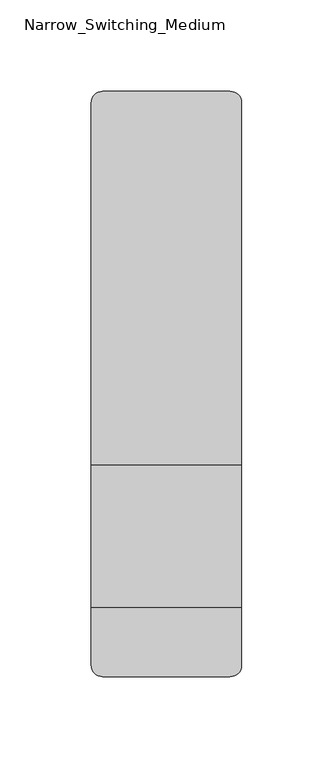
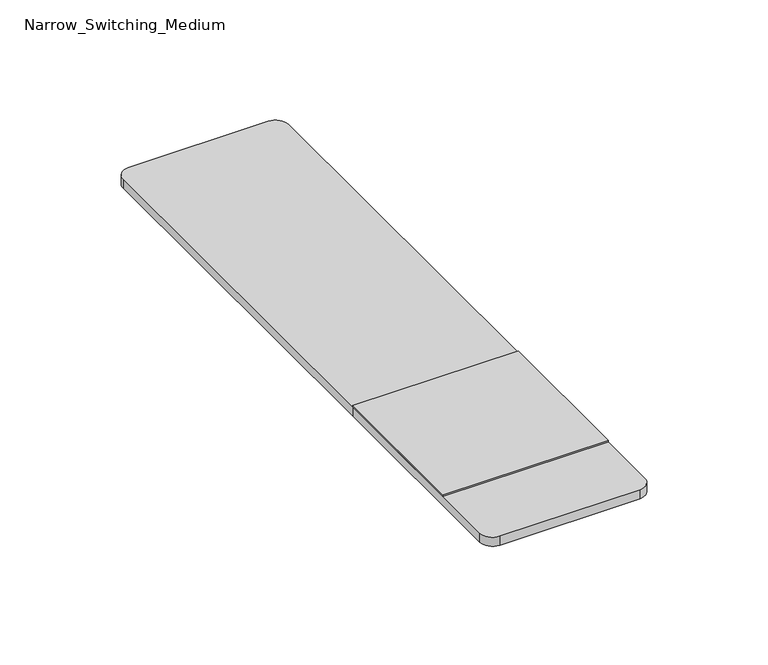
"""IFC4 building model written with IfcOpenShell, lengths in millimetres: furniture geometry, Narrow_Switching_Medium."""

from ifc_helpers import new_model, si_unit, point, frame, frame_2d, origin, place, context, project, spatial, polyline, circle_curve, trimmed, segment, composite_curve, outline, extrude, source, transform, mapped, element, save


def narrow_switching_medium_4e63cfff(model_context):
    return source(origin(), model_context, "Body", "SweptSolid", [
        extrude(outline(polyline([(257.175, -583.9284766), (257.175, -661.7159766), (174.625, -661.7159766), (174.625, -583.9284766), (257.175, -583.9284766)])), frame((0.0, 0.0, 741.3625), z_axis=(0.0, 0.0, 1.0), x_axis=(1.0, 0.0, 0.0)), (0.0, 0.0, 1.0), 0.79375),
        extrude(outline(composite_curve([segment(trimmed(circle_curve(frame_2d((250.825, -385.4909766)), 6.35), [point((250.825, -379.1409766))], [point((257.175, -385.4909766))], False, "CARTESIAN"), True, "CONTINUOUS"), segment(polyline([(257.175, -385.4909766), (257.175, -583.9284766), (174.625, -583.9284766), (174.625, -385.4909766)]), True, "CONTINUOUS"), segment(trimmed(circle_curve(frame_2d((180.975, -385.4909766)), 6.35), [point((174.625, -385.4909766))], [point((180.975, -379.1409766))], False, "CARTESIAN"), True, "CONTINUOUS"), segment(polyline([(180.975, -379.1409766), (250.825, -379.1409766)]), True, "CONTINUOUS")], self_intersect=False)), frame((0.0, 0.0, 736.6), z_axis=(0.0, 0.0, 1.0), x_axis=(1.0, 0.0, 0.0)), (0.0, 0.0, 1.0), 4.7625),
        extrude(outline(composite_curve([segment(polyline([(257.175, -583.9284766), (257.175, -693.4659766)]), True, "CONTINUOUS"), segment(trimmed(circle_curve(frame_2d((250.825, -693.4659766)), 6.35), [point((257.175, -693.4659766))], [point((250.825, -699.8159766))], False, "CARTESIAN"), True, "CONTINUOUS"), segment(polyline([(250.825, -699.8159766), (180.975, -699.8159766)]), True, "CONTINUOUS"), segment(trimmed(circle_curve(frame_2d((180.975, -693.4659766)), 6.35), [point((180.975, -699.8159766))], [point((174.625, -693.4659766))], False, "CARTESIAN"), True, "CONTINUOUS"), segment(polyline([(174.625, -693.4659766), (174.625, -583.9284766), (257.175, -583.9284766)]), True, "CONTINUOUS")], self_intersect=False)), frame((0.0, 0.0, 736.6), z_axis=(0.0, 0.0, 1.0), x_axis=(1.0, 0.0, 0.0)), (0.0, 0.0, 1.0), 4.7625),
    ])


if __name__ == "__main__":
    model = new_model("IFC4")
    model_context = context("Model", 3, world=origin())
    ifc_project = project(units=[si_unit("LENGTHUNIT", "METRE", prefix="MILLI")], contexts=[model_context])
    site = spatial("IfcSite", under=ifc_project)
    building = spatial("IfcBuilding", under=site)
    placement = place(None, origin())
    narrow_switching_medium_shape = narrow_switching_medium_4e63cfff(model_context)
    element("IfcFurniture", 1, ObjectType="Narrow_Switching_Medium", at=placement, inside=building, context=model_context, shape_type="MappedRepresentation", body=[
        mapped(narrow_switching_medium_shape, transform((0.0, 0.0, 0.0), x_axis=(1.0, 0.0, 0.0), y_axis=(0.0, 1.0, 0.0), z_axis=(0.0, 0.0, 1.0))),
    ])
    save(model, "model.ifc")
